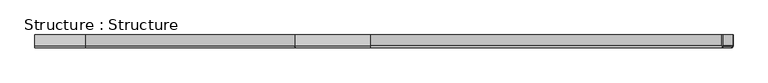
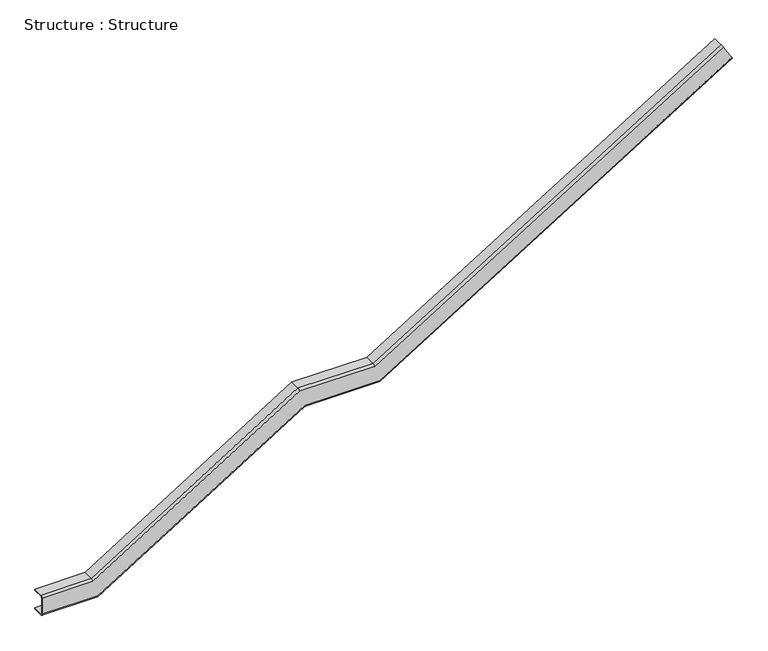
"""IFC4 building model written with IfcOpenShell, lengths in millimetres: beam geometry, Structure : Structure."""

from ifc_helpers import new_model, si_unit, frame, origin, place, context, project, spatial, polyline, circle_curve, ellipse_curve, source, transform, mapped, element, save
from ifc_brep_helpers import plane_surface, cylinder_surface, revolved_surface, advanced_brep


def structure_structure_9d6bd664(model_context):
    return source(origin(), model_context, "Body", "AdvancedBrep", [
        advanced_brep(
        [(2244.3596339, -662.3640446, 4671.6558645), (2244.3596339, -789.3640446, 4671.6558645), (2237.6728184, -802.0640446, 4682.4529243), (2130.6837717, -802.0640446, 4855.2058805), (2123.9969563, -789.3640446, 4866.0029402), (2123.9969563, -662.3640446, 4866.0029402), (2117.3101408, -662.3640446, 4876.8), (2117.3101408, -789.3640446, 4876.8), (2130.6837717, -814.7640446, 4855.2058805), (2237.6728184, -814.7640446, 4682.4529243), (2251.0464493, -789.3640446, 4660.8588047), (2251.0464493, -662.3640446, 4660.8588047), (-2042.7376467, -662.3640446, 2016.5785714), (-2042.7376467, -789.3640446, 2016.5785714), (-2046.3518247, -802.0640446, 2029.2785714), (-2957.3355726, -802.0640446, 2029.2785714), (-5471.9355726, -802.0640446, 461.7357143), (-6146.9527032, -802.0640446, 461.7357143), (-6146.9527032, -802.0640446, 664.9357143), (-5530.0841331, -802.0640446, 664.9357143), (-3015.4841331, -802.0640446, 2232.4785714), (-2104.1786723, -802.0640446, 2232.4785714), (-2107.7928502, -789.3640446, 2245.1785714), (-2107.7928502, -662.3640446, 2245.1785714), (-3019.1184182, -662.3640446, 2245.1785714), (-5533.7184182, -662.3640446, 677.6357143), (-6146.9527032, -662.3640446, 677.6357143), (-6146.9527032, -662.3640446, 690.3357143), (-5537.3527032, -662.3640446, 690.3357143), (-3022.7527032, -662.3640446, 2257.8785714), (-2111.4070282, -662.3640446, 2257.8785714), (-2111.4070282, -789.3640446, 2257.8785714), (-2104.1786723, -814.7640446, 2232.4785714), (-3015.4841331, -814.7640446, 2232.4785714), (-5530.0841331, -814.7640446, 664.9357143), (-6146.9527032, -814.7640446, 664.9357143), (-6146.9527032, -814.7640446, 461.7357143), (-5471.9355726, -814.7640446, 461.7357143), (-2957.3355726, -814.7640446, 2029.2785714), (-2046.3518247, -814.7640446, 2029.2785714), (-2039.1234687, -789.3640446, 2003.8785714), (-2039.1234687, -662.3640446, 2003.8785714), (-2950.0670025, -662.3640446, 2003.8785714), (-5464.6670025, -662.3640446, 436.3357143), (-6146.9527032, -662.3640446, 436.3357143), (-6146.9527032, -662.3640446, 449.0357143), (-5468.3012875, -662.3640446, 449.0357143), (-2953.7012875, -662.3640446, 2016.5785714), (-2953.7012875, -789.3640446, 2016.5785714), (-3019.1184182, -789.3640446, 2245.1785714), (-3022.7527032, -789.3640446, 2257.8785714), (-2950.0670025, -789.3640446, 2003.8785714), (-5468.3012875, -789.3640446, 449.0357143), (-5533.7184182, -789.3640446, 677.6357143), (-5537.3527032, -789.3640446, 690.3357143), (-5464.6670025, -789.3640446, 436.3357143), (-6146.9527032, -789.3640446, 436.3357143), (-6146.9527032, -789.3640446, 690.3357143), (-6146.9527032, -789.3640446, 677.6357143), (-6146.9527032, -789.3640446, 449.0357143)],
        [
            (0, 1),
            (1, 2, circle_curve(frame((2237.6728184, -789.3640446, 4682.4529243), z_axis=(-0.8501621860479378, 0.0, -0.5265208993137801), x_axis=(0.0, 1.0, 0.0)), 12.7)),
            (2, 3),
            (3, 4, circle_curve(frame((2130.6837717, -789.3640446, 4855.2058805), z_axis=(-0.8501621860479378, 0.0, -0.5265208993137801), x_axis=(0.0, 1.0, 0.0)), 12.7)),
            (4, 5),
            (5, 6),
            (6, 7),
            (7, 8, circle_curve(frame((2130.6837717, -789.3640446, 4855.2058805), z_axis=(0.8501621860479378, 0.0, 0.5265208993137801), x_axis=(0.0, 1.0, 0.0)), 25.4)),
            (8, 9),
            (9, 10, circle_curve(frame((2237.6728184, -789.3640446, 4682.4529243), z_axis=(0.8501621860479378, 0.0, 0.5265208993137801), x_axis=(0.0, 1.0, 0.0)), 25.4)),
            (10, 11),
            (11, 0),
            (0, 12),
            (12, 13),
            (13, 1),
            (13, 14, ellipse_curve(frame((-2046.3518247, -789.3640446, 2029.2785714), z_axis=(-0.9618113604153201, 0.0, -0.2737131837819126), x_axis=(0.27371318378191206, 0.0, -0.9618113604153204)), 13.2042524, 12.7)),
            (14, 2),
            (14, 15),
            (15, 16),
            (16, 17),
            (17, 18),
            (18, 19),
            (19, 20),
            (20, 21),
            (21, 3),
            (21, 22, ellipse_curve(frame((-2104.1786723, -789.3640446, 2232.4785714), z_axis=(-0.9618113604153201, 0.0, -0.2737131837819126), x_axis=(0.27371318378191206, 0.0, -0.9618113604153204)), 13.2042524, 12.7)),
            (22, 4),
            (22, 23),
            (23, 5),
            (23, 24),
            (24, 25),
            (25, 26),
            (26, 27),
            (27, 28),
            (28, 29),
            (29, 30),
            (30, 6),
            (30, 31),
            (31, 7),
            (31, 32, ellipse_curve(frame((-2104.1786723, -789.3640446, 2232.4785714), z_axis=(0.9618113604153201, 0.0, 0.2737131837819126), x_axis=(-0.27371318378191206, 0.0, 0.9618113604153204)), 26.4085049, 25.4)),
            (32, 8),
            (32, 33),
            (33, 34),
            (34, 35),
            (35, 36),
            (36, 37),
            (37, 38),
            (38, 39),
            (39, 9),
            (39, 40, ellipse_curve(frame((-2046.3518247, -789.3640446, 2029.2785714), z_axis=(0.9618113604153201, 0.0, 0.2737131837819126), x_axis=(-0.27371318378191206, 0.0, 0.9618113604153204)), 26.4085049, 25.4)),
            (40, 10),
            (40, 41),
            (41, 11),
            (41, 42),
            (42, 43),
            (43, 44),
            (44, 45),
            (45, 46),
            (46, 47),
            (47, 12),
            (47, 48),
            (48, 13),
            (48, 15, ellipse_curve(frame((-2957.3355726, -789.3640446, 2029.2785714), z_axis=(-0.9614096116045892, 0.0, -0.2751209892289444), x_axis=(-0.27512098922894473, 0.0, 0.961409611604589)), 13.2097702, 12.7)),
            (20, 49, ellipse_curve(frame((-3015.4841331, -789.3640446, 2232.4785714), z_axis=(-0.9614096116045892, 0.0, -0.2751209892289444), x_axis=(-0.27512098922894473, 0.0, 0.961409611604589)), 13.2097702, 12.7)),
            (49, 22),
            (49, 24),
            (29, 50),
            (50, 31),
            (50, 33, ellipse_curve(frame((-3015.4841331, -789.3640446, 2232.4785714), z_axis=(0.9614096116045892, 0.0, 0.2751209892289444), x_axis=(0.27512098922894473, 0.0, -0.961409611604589)), 26.4195403, 25.4)),
            (38, 51, ellipse_curve(frame((-2957.3355726, -789.3640446, 2029.2785714), z_axis=(0.9614096116045892, 0.0, 0.2751209892289444), x_axis=(0.27512098922894473, 0.0, -0.961409611604589)), 26.4195403, 25.4)),
            (51, 40),
            (51, 42),
            (46, 52),
            (52, 48),
            (52, 16, ellipse_curve(frame((-5471.9355726, -789.3640446, 461.7357143), z_axis=(-0.9614096116045886, 0.0, -0.27512098922894707), x_axis=(0.27512098922894823, 0.0, -0.9614096116045882)), 13.2097702, 12.7)),
            (19, 53, ellipse_curve(frame((-5530.0841331, -789.3640446, 664.9357143), z_axis=(-0.9614096116045886, 0.0, -0.27512098922894707), x_axis=(0.27512098922894823, 0.0, -0.9614096116045882)), 13.2097702, 12.7)),
            (53, 49),
            (53, 25),
            (28, 54),
            (54, 50),
            (54, 34, ellipse_curve(frame((-5530.0841331, -789.3640446, 664.9357143), z_axis=(0.9614096116045886, 0.0, 0.27512098922894707), x_axis=(-0.27512098922894823, 0.0, 0.9614096116045882)), 26.4195403, 25.4)),
            (37, 55, ellipse_curve(frame((-5471.9355726, -789.3640446, 461.7357143), z_axis=(0.9614096116045886, 0.0, 0.27512098922894707), x_axis=(-0.27512098922894823, 0.0, 0.9614096116045882)), 26.4195403, 25.4)),
            (55, 51),
            (55, 43),
            (44, 56),
            (56, 36, circle_curve(frame((-6146.9527032, -789.3640446, 461.7357143), z_axis=(-1.0, 0.0, 0.0), x_axis=(0.0, 1.0, 0.0)), 25.4)),
            (35, 57, circle_curve(frame((-6146.9527032, -789.3640446, 664.9357143), z_axis=(-1.0, 0.0, 0.0), x_axis=(0.0, 1.0, 0.0)), 25.4)),
            (57, 27),
            (26, 58),
            (58, 18, circle_curve(frame((-6146.9527032, -789.3640446, 664.9357143), z_axis=(1.0, 0.0, 0.0), x_axis=(0.0, 1.0, 0.0)), 12.7)),
            (17, 59, circle_curve(frame((-6146.9527032, -789.3640446, 461.7357143), z_axis=(1.0, 0.0, 0.0), x_axis=(0.0, 1.0, 0.0)), 12.7)),
            (59, 45),
            (59, 52),
            (58, 53),
            (57, 54),
            (56, 55),
        ],
        [
            plane_surface(frame((2117.3101408, -814.7640446, 4876.8), z_axis=(0.8501621860479378, 0.0, 0.5265208993137801), x_axis=(-0.5265208993137801, 0.0, 0.8501621860479378))),
            plane_surface(frame((2244.3596339, -662.3640446, 4671.6558645), z_axis=(-0.52652089931378, 0.0, 0.8501621860479378), x_axis=(-0.8501621860479378, 0.0, -0.52652089931378))),
            revolved_surface(polyline([(-2049.424462170316, -776.6640446, 2027.3756312195178), (2237.6728184402455, -776.6640446, 4682.452924324924)]), (2237.6728184, -789.3640446, 4682.4529243), (-0.8501621860479378, 0.0, -0.5265208993137801)),
            plane_surface(frame((2237.6728184, -802.0640446, 4682.4529243), z_axis=(0.0, 1.0000000000000002, 0.0), x_axis=(-0.8501621860479378, 0.0, -0.5265208993137801))),
            revolved_surface(polyline([(-2107.251309752767, -776.6640446, 2230.5756311911814), (2130.6837717, -776.6640446, 4855.2058805)]), (2130.6837717, -789.3640446, 4855.2058805), (-0.8501621860479378, 0.0, -0.5265208993137801)),
            plane_surface(frame((2123.9969563, -789.3640446, 4866.0029402), z_axis=(0.52652089931378, 0.0, -0.8501621860479379), x_axis=(-0.8501621860479379, 0.0, -0.52652089931378))),
            plane_surface(frame((2123.9969563, -662.3640446, 4866.0029402), z_axis=(0.0, 1.0, 0.0), x_axis=(-0.8501621860479378, 0.0, -0.52652089931378))),
            plane_surface(frame((2117.3101408, -662.3640446, 4876.8), z_axis=(-0.52652089931378, 0.0, 0.8501621860479378), x_axis=(-0.8501621860479378, 0.0, -0.52652089931378))),
            cylinder_surface(frame((2130.6837717, -789.3640446, 4855.2058805), z_axis=(0.8501621860479378, 0.0, 0.5265208993137801), x_axis=(0.0, 1.0, 0.0)), 25.4),
            plane_surface(frame((2130.6837717, -814.7640446, 4855.2058805), z_axis=(0.0, -1.0000000000000002, 0.0), x_axis=(-0.8501621860479378, 0.0, -0.5265208993137801))),
            cylinder_surface(frame((2237.6728184, -789.3640446, 4682.4529243), z_axis=(0.8501621860479378, 0.0, 0.5265208993137801), x_axis=(0.0, 1.0, 0.0)), 25.4),
            plane_surface(frame((2251.0464493, -789.3640446, 4660.8588047), z_axis=(0.52652089931378, 0.0, -0.8501621860479378), x_axis=(-0.8501621860479378, 0.0, -0.52652089931378))),
            plane_surface(frame((2251.0464493, -662.3640446, 4660.8588047), z_axis=(0.0, 1.0000000000000002, 0.0), x_axis=(-0.8501621860479378, 0.0, -0.5265208993137801))),
            plane_surface(frame((-2042.7376467, -662.3640446, 2016.5785714), z_axis=(0.0, 0.0, 1.0), x_axis=(-1.0, 0.0, 0.0))),
            revolved_surface(polyline([(-2960.969857644911, -776.6640446, 2029.2785714), (-2042.7376467, -776.6640446, 2029.2785714)]), (-2111.4070282, -789.3640446, 2029.2785714), (-1.0, 0.0, 0.0)),
            revolved_surface(polyline([(-3019.1184182, -776.6640446, 2232.4785714), (-2100.5644943361362, -776.6640446, 2232.4785714)]), (-2111.4070282, -789.3640446, 2232.4785714), (-1.0, 0.0, 0.0)),
            plane_surface(frame((-2107.7928502, -789.3640446, 2245.1785714), z_axis=(0.0, 0.0, -1.0), x_axis=(-1.0, 0.0, 0.0))),
            plane_surface(frame((-2111.4070282, -662.3640446, 2257.8785714), z_axis=(0.0, 0.0, 1.0), x_axis=(-1.0, 0.0, 0.0))),
            cylinder_surface(frame((-2111.4070282, -789.3640446, 2232.4785714), z_axis=(1.0, 0.0, 0.0), x_axis=(0.0, 1.0, 0.0)), 25.4),
            cylinder_surface(frame((-2111.4070282, -789.3640446, 2029.2785714), z_axis=(1.0, 0.0, 0.0), x_axis=(0.0, 1.0, 0.0)), 25.4),
            plane_surface(frame((-2039.1234687, -789.3640446, 2003.8785714), z_axis=(0.0, 0.0, -1.0), x_axis=(-1.0, 0.0, 0.0))),
            plane_surface(frame((-2953.7012875, -662.3640446, 2016.5785714), z_axis=(-0.52900792679774, 0.0, 0.8486168825713739), x_axis=(-0.8486168825713739, 0.0, -0.52900792679774))),
            revolved_surface(polyline([(-5475.019688237026, -776.6640446, 459.81314868990535), (-2954.2514569658892, -776.6640446, 2031.2011370147702)]), (-2901.8214911, -789.3640446, 2063.8847521), (-0.848616882571374, 0.0, -0.5290079267977398)),
            revolved_surface(polyline([(-5533.168248725949, -776.6640446, 663.0131486721357), (-3012.400017454812, -776.6640446, 2234.401136997001)]), (-3009.3159018, -789.3640446, 2236.3237026), (-0.848616882571374, 0.0, -0.5290079267977398)),
            plane_surface(frame((-3019.1184182, -789.3640446, 2245.1785714), z_axis=(0.5290079267977398, 0.0, -0.8486168825713741), x_axis=(-0.8486168825713741, 0.0, -0.5290079267977398))),
            plane_surface(frame((-3022.7527032, -662.3640446, 2257.8785714), z_axis=(-0.5290079267977398, 0.0, 0.848616882571374), x_axis=(-0.848616882571374, 0.0, -0.5290079267977398))),
            cylinder_surface(frame((-3009.3159018, -789.3640446, 2236.3237026), z_axis=(0.848616882571374, 0.0, 0.5290079267977398), x_axis=(0.0, 1.0, 0.0)), 25.4),
            cylinder_surface(frame((-2901.8214911, -789.3640446, 2063.8847521), z_axis=(0.848616882571374, 0.0, 0.5290079267977398), x_axis=(0.0, 1.0, 0.0)), 25.4),
            plane_surface(frame((-2950.0670025, -789.3640446, 2003.8785714), z_axis=(0.5290079267977399, 0.0, -0.848616882571374), x_axis=(-0.848616882571374, 0.0, -0.5290079267977399))),
            plane_surface(frame((-6146.9527032, -814.7640446, 690.3357143), z_axis=(-1.0, 0.0, 0.0), x_axis=(0.0, 0.0, 1.0))),
            plane_surface(frame((-5468.3012875, -662.3640446, 449.0357143), z_axis=(0.0, 0.0, 1.0), x_axis=(-1.0, 0.0, 0.0))),
            revolved_surface(polyline([(-6146.9527032, -776.6640446, 461.7357143), (-5468.3012875, -776.6640446, 461.7357143)]), (-5537.3527032, -789.3640446, 461.7357143), (-1.0, 0.0, 0.0)),
            revolved_surface(polyline([(-6146.9527032, -776.6640446, 664.9357143), (-5526.449848055089, -776.6640446, 664.9357143)]), (-5537.3527032, -789.3640446, 664.9357143), (-1.0, 0.0, 0.0)),
            plane_surface(frame((-5533.7184182, -789.3640446, 677.6357143), z_axis=(0.0, 0.0, -1.0), x_axis=(-1.0, 0.0, 0.0))),
            plane_surface(frame((-5537.3527032, -662.3640446, 690.3357143), z_axis=(0.0, 0.0, 1.0), x_axis=(-1.0, 0.0, 0.0))),
            cylinder_surface(frame((-5537.3527032, -789.3640446, 664.9357143), z_axis=(1.0, 0.0, 0.0), x_axis=(0.0, 1.0, 0.0)), 25.4),
            cylinder_surface(frame((-5537.3527032, -789.3640446, 461.7357143), z_axis=(1.0, 0.0, 0.0), x_axis=(0.0, 1.0, 0.0)), 25.4),
            plane_surface(frame((-5464.6670025, -789.3640446, 436.3357143), z_axis=(0.0, 0.0, -1.0), x_axis=(-1.0, 0.0, 0.0))),
        ],
        [
            (0, [[1, 2, 3, 4, 5, 6, 7, 8, 9, 10, 11, 12]]),
            (1, [[-1, 13, 14, 15]]),
            (2, [[-2, -15, 16, 17]]),
            (3, [[-3, -17, 18, 19, 20, 21, 22, 23, 24, 25]]),
            (4, [[-4, -25, 26, 27]]),
            (5, [[-5, -27, 28, 29]]),
            (6, [[-6, -29, 30, 31, 32, 33, 34, 35, 36, 37]]),
            (7, [[-7, -37, 38, 39]]),
            (8, [[-8, -39, 40, 41]]),
            (9, [[-9, -41, 42, 43, 44, 45, 46, 47, 48, 49]]),
            (10, [[-10, -49, 50, 51]]),
            (11, [[-11, -51, 52, 53]]),
            (12, [[-12, -53, 54, 55, 56, 57, 58, 59, 60, -13]]),
            (13, [[-14, -60, 61, 62]]),
            (14, [[-16, -62, 63, -18]]),
            (15, [[-26, -24, 64, 65]]),
            (16, [[-28, -65, 66, -30]]),
            (17, [[-38, -36, 67, 68]]),
            (18, [[-40, -68, 69, -42]]),
            (19, [[-50, -48, 70, 71]]),
            (20, [[-52, -71, 72, -54]]),
            (21, [[-61, -59, 73, 74]]),
            (22, [[-63, -74, 75, -19]]),
            (23, [[-64, -23, 76, 77]]),
            (24, [[-66, -77, 78, -31]]),
            (25, [[-67, -35, 79, 80]]),
            (26, [[-69, -80, 81, -43]]),
            (27, [[-70, -47, 82, 83]]),
            (28, [[-72, -83, 84, -55]]),
            (29, [[-57, 85, 86, -45, 87, 88, -33, 89, 90, -21, 91, 92]]),
            (30, [[-73, -58, -92, 93]]),
            (31, [[-75, -93, -91, -20]]),
            (32, [[-76, -22, -90, 94]]),
            (33, [[-78, -94, -89, -32]]),
            (34, [[-79, -34, -88, 95]]),
            (35, [[-81, -95, -87, -44]]),
            (36, [[-82, -46, -86, 96]]),
            (37, [[-84, -96, -85, -56]]),
        ],
    ),
    ])


if __name__ == "__main__":
    model = new_model("IFC4")
    model_context = context("Model", 3, world=origin())
    ifc_project = project(units=[si_unit("LENGTHUNIT", "METRE", prefix="MILLI")], contexts=[model_context])
    site = spatial("IfcSite", under=ifc_project)
    building = spatial("IfcBuilding", under=site)
    placement = place(None, origin())
    structure_structure_shape = structure_structure_9d6bd664(model_context)
    element("IfcBeam", 1, ObjectType="Structure : Structure", at=placement, inside=building, context=model_context, shape_type="MappedRepresentation", body=[
        mapped(structure_structure_shape, transform((0.0, 0.0, 0.0), x_axis=(1.0, 0.0, 0.0), y_axis=(0.0, 1.0, 0.0), z_axis=(0.0, 0.0, 1.0))),
    ])
    save(model, "model.ifc")
